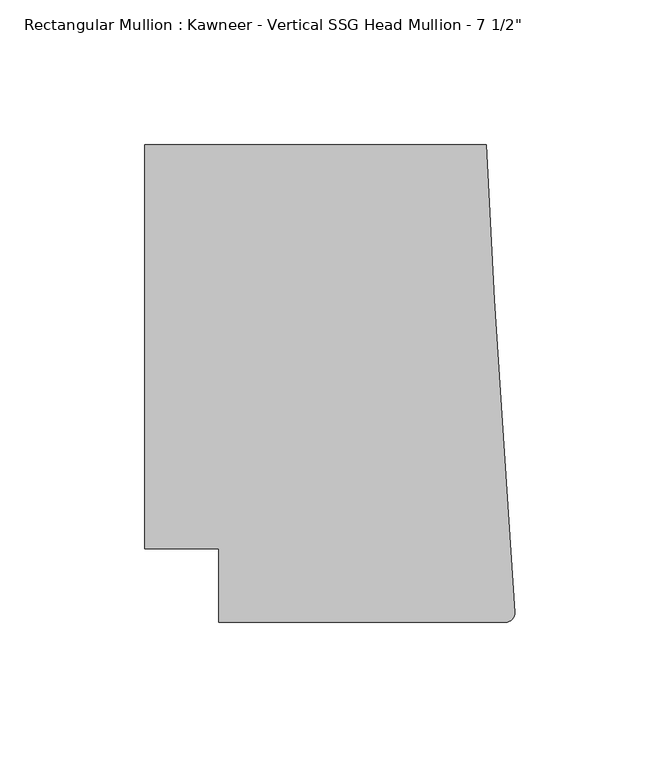
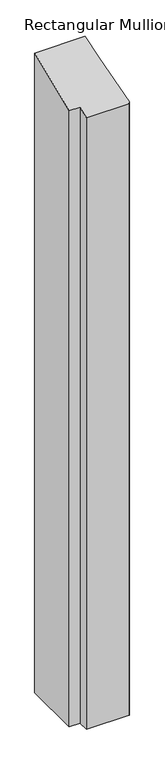
"""IFC4 building model written with IfcOpenShell, lengths in millimetres: member geometry."""

from ifc_helpers import new_model, si_unit, frame, origin, place, context, project, spatial, circle_curve, ellipse_curve, source, transform, mapped, element, save
from ifc_brep_helpers import plane_surface, cylinder_surface, advanced_brep


def member_16700c70(model_context):
    return source(origin(), model_context, "Body", "AdvancedBrep", [
        advanced_brep(
        [(-102.08978, -12.7, -1513.3330237), (-102.08978, 12.7, -1513.3330237), (-127.4896668, 12.7, -1513.3330237), (-127.4896668, 151.892, -1513.3330237), (-9.7860662, 151.892, -1513.3330237), (-6.9873394, 98.4891117, -1513.3330237), (-0.006635, -9.3198462, -1513.3330237), (-3.175, -12.7, -1513.3330237), (-3.175, -12.7, -5.2605122), (-102.08978, -12.7, -5.2605122), (-0.006635, -9.3198462, -3.8604067), (-6.9873394, 98.4891117, 40.7955258), (-9.7860662, 151.892, 62.9157264), (-127.4896668, 151.892, 62.9157264), (-127.4896668, 12.7, 5.2605122), (-102.08978, 12.7, 5.2605122)],
        [
            (0, 1),
            (1, 2),
            (2, 3),
            (3, 4),
            (4, 5),
            (5, 6),
            (6, 7, circle_curve(frame((-3.175, -9.525, -1513.3330237), z_axis=(0.0, 0.0, -1.0), x_axis=(0.0, -1.0, 0.0)), 3.175)),
            (7, 0),
            (8, 9),
            (9, 0),
            (7, 8),
            (10, 8, ellipse_curve(frame((-3.175, -9.525, -3.9453842), z_axis=(0.0, 0.3826834323650882, -0.9238795325112875), x_axis=(0.0, 0.9238795325112876, 0.3826834323650877)), 3.4365952, 3.175)),
            (6, 10),
            (11, 10),
            (5, 11),
            (12, 11),
            (4, 12),
            (13, 12),
            (3, 13),
            (14, 13),
            (2, 14),
            (15, 14),
            (1, 15),
            (9, 15),
        ],
        [
            plane_surface(frame((0.0, -198.3048028, -1513.3330237), z_axis=(0.0, 0.0, -1.0), x_axis=(-1.0, 0.0, 0.0))),
            plane_surface(frame((-102.08978, -12.7, 0.0), z_axis=(0.0, -1.0, 0.0), x_axis=(0.0, 0.0, -1.0))),
            cylinder_surface(frame((-3.175, -9.525, 0.0), z_axis=(0.0, 0.0, 1.0), x_axis=(0.0, -1.0, 0.0)), 3.175),
            plane_surface(frame((-0.006635, -9.3198462, 0.0), z_axis=(0.9979102429769694, 0.06461537712995265, 0.0), x_axis=(0.0, 0.0, -1.0))),
            plane_surface(frame((-6.9873394, 98.4891117, 0.0), z_axis=(0.9986295347545738, 0.05233595624294541, 0.0), x_axis=(0.0, 0.0, -1.0))),
            plane_surface(frame((-9.7860662, 151.892, 0.0), z_axis=(0.0, 1.0, 0.0), x_axis=(0.0, 0.0, -1.0))),
            plane_surface(frame((-127.4896668, 151.892, 0.0), z_axis=(-1.0, 0.0, 0.0), x_axis=(0.0, 0.0, -1.0))),
            plane_surface(frame((-127.4896668, 12.7, 0.0), z_axis=(0.0, -1.0, 0.0), x_axis=(0.0, 0.0, -1.0))),
            plane_surface(frame((-102.08978, 12.7, 0.0), z_axis=(-1.0, 0.0, 0.0), x_axis=(0.0, 0.0, -1.0))),
            plane_surface(frame((304.8, 0.0, 0.0), z_axis=(0.0, -0.3826834323650882, 0.9238795325112875), x_axis=(0.0, -0.9238795325112875, -0.3826834323650882))),
        ],
        [
            (0, [[1, 2, 3, 4, 5, 6, 7, 8]]),
            (1, [[9, 10, -8, 11]]),
            (2, [[12, -11, -7, 13]]),
            (3, [[14, -13, -6, 15]]),
            (4, [[16, -15, -5, 17]]),
            (5, [[18, -17, -4, 19]]),
            (6, [[20, -19, -3, 21]]),
            (7, [[22, -21, -2, 23]]),
            (8, [[24, -23, -1, -10]]),
            (9, [[-9, -12, -14, -16, -18, -20, -22, -24]]),
        ],
    ),
    ])


if __name__ == "__main__":
    model = new_model("IFC4")
    model_context = context("Model", 3, world=origin())
    ifc_project = project(units=[si_unit("LENGTHUNIT", "METRE", prefix="MILLI")], contexts=[model_context])
    site = spatial("IfcSite", under=ifc_project)
    building = spatial("IfcBuilding", under=site)
    placement = place(None, origin())
    member_shape = member_16700c70(model_context)
    element("IfcMember", 1, ObjectType="Rectangular Mullion : Kawneer - Vertical SSG Head Mullion - 7 1/2\"", at=placement, inside=building, context=model_context, shape_type="MappedRepresentation", body=[
        mapped(member_shape, transform((0.0, 0.0, 0.0), x_axis=(1.0, 0.0, 0.0), y_axis=(0.0, 1.0, 0.0), z_axis=(0.0, 0.0, 1.0))),
    ])
    save(model, "model.ifc")
